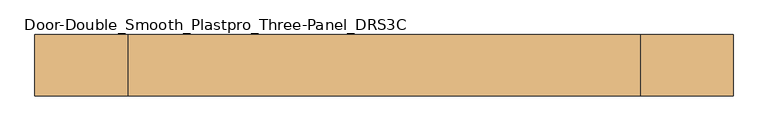
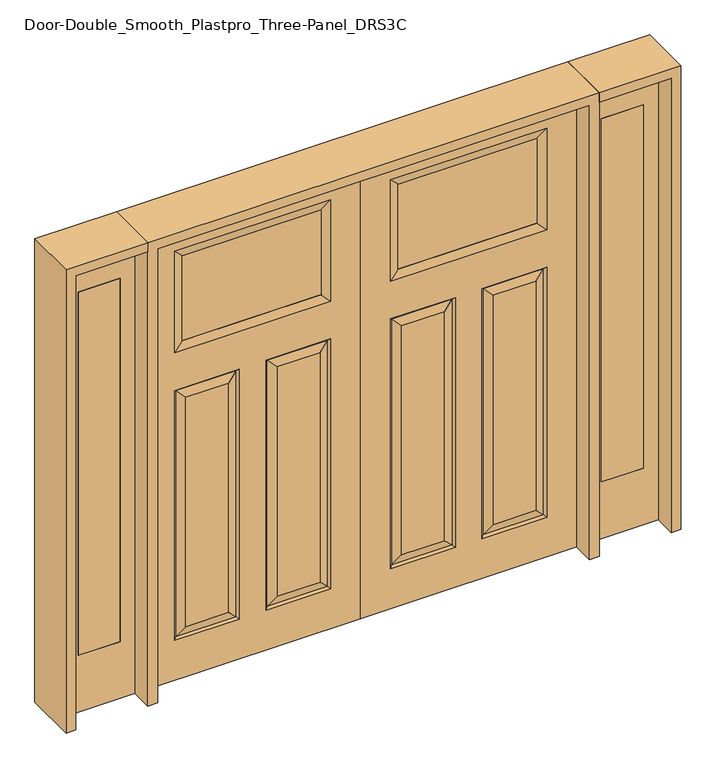
"""IFC4 building model written with IfcOpenShell, lengths in millimetres: door geometry, Door-Double_Smooth_Plastpro_Three-Panel_DRS3C."""

import ifcopenshell
import ifcopenshell.guid

model = None  # the IFC model being written
_history = None  # IfcOwnerHistory: only IFC2X3 demands one
_inside = {}  # id of a spatial element -> (the spatial element, [elements in it])
_under = {}  # id of a project, library or spatial element -> (it, [spatial elements below it])
_declared = {}  # id of a project -> (the project, [libraries it declares])
_typed = {}  # id of a type object -> (the type object, [elements of that type])
_made_of = {}  # id of a material, layer set ... -> (it, [elements and type objects made of it])


def new_model(schema):
    """Start an empty IFC model of exactly this schema.

    Asked for "IFC4X3", IfcOpenShell would pick the latest addendum, in which some entities
    have other attributes; the version numbers below select the first issue.
    IFC2X3 requires an IfcOwnerHistory on every rooted entity: one is made here for all.
    """
    global model, _history
    if schema == "IFC4X3":
        model = ifcopenshell.file(schema_version=(4, 3, 0, 0))
    else:
        model = ifcopenshell.file(schema=schema)
    _inside.clear()
    _under.clear()
    _declared.clear()
    _typed.clear()
    _made_of.clear()
    _history = None
    if model.schema == "IFC2X3":
        org = make("IfcOrganization", Name="unknown")
        user = make(
            "IfcPersonAndOrganization",
            ThePerson=make("IfcPerson", FamilyName="unknown"),
            TheOrganization=org,
        )
        app = make(
            "IfcApplication",
            ApplicationDeveloper=org,
            Version="unknown",
            ApplicationFullName="unknown",
            ApplicationIdentifier="unknown",
        )
        _history = make(
            "IfcOwnerHistory",
            OwningUser=user,
            OwningApplication=app,
            ChangeAction="ADDED",
            CreationDate=0,
        )
    return model


def make(cls, **values):
    """One entity of the class cls with the attributes given. An attribute that is None is left unset."""
    return model.create_entity(
        cls, **{name: value for name, value in values.items() if value is not None}
    )


def rooted(cls, **values):
    """An entity with a GlobalId (a new one), such as an element, a storey or a relation."""
    return make(cls, GlobalId=ifcopenshell.guid.new(), OwnerHistory=_history, **values)


def si_unit(unit_type, name, prefix=None):
    """IfcSIUnit, for example si_unit("LENGTHUNIT", "METRE", prefix="MILLI")."""
    return make("IfcSIUnit", UnitType=unit_type, Prefix=prefix, Name=name)


def assignment(units):
    """IfcUnitAssignment: the units of a project."""
    return None if units is None else make("IfcUnitAssignment", Units=units)


def point(xyz):
    """IfcCartesianPoint."""
    return None if xyz is None else make("IfcCartesianPoint", Coordinates=xyz)


def direction(xyz):
    """IfcDirection."""
    return None if xyz is None else make("IfcDirection", DirectionRatios=xyz)


def frame(location, z_axis=None, x_axis=None):
    """IfcAxis2Placement3D, a coordinate frame: its origin and axes. An axis left out is left unset."""
    return make(
        "IfcAxis2Placement3D",
        Location=point(location),
        Axis=direction(z_axis),
        RefDirection=direction(x_axis),
    )


def origin():
    """The frame at (0, 0, 0) with its axes left unset."""
    return frame((0.0, 0.0, 0.0))


def place(relative_to, where):
    """IfcLocalPlacement: puts the frame where relative to a parent placement (None: the world)."""
    return make(
        "IfcLocalPlacement", PlacementRelTo=relative_to, RelativePlacement=where
    )


def context(
    kind, dimensions, precision=None, world=None, true_north=None, identifier=None
):
    """IfcGeometricRepresentationContext, for example the 3D "Model" context."""
    return make(
        "IfcGeometricRepresentationContext",
        ContextIdentifier=identifier,
        ContextType=kind,
        CoordinateSpaceDimension=dimensions,
        Precision=precision,
        WorldCoordinateSystem=world,
        TrueNorth=true_north,
    )


def project(units=None, contexts=None):
    """IfcProject with its units and contexts."""
    return rooted(
        "IfcProject",
        Name="project",
        RepresentationContexts=contexts,
        UnitsInContext=assignment(units),
    )


def spatial(cls, under=None, at=None, **own):
    """A site, building, storey or space (cls), placed at a placement, below another one or the project."""
    s = rooted(cls, ObjectPlacement=at, **own)
    if under is not None:
        _under.setdefault(under.id(), (under, []))[1].append(s)
    return s


def polyline(points):
    """IfcPolyline through the points."""
    return make("IfcPolyline", Points=[point(p) for p in points])


def outline(outer, holes=None, kind="AREA"):
    """IfcArbitraryClosedProfileDef: a profile drawn as a closed curve; with holes, ...WithVoids."""
    if holes is None:
        return make("IfcArbitraryClosedProfileDef", ProfileType=kind, OuterCurve=outer)
    return make(
        "IfcArbitraryProfileDefWithVoids",
        ProfileType=kind,
        OuterCurve=outer,
        InnerCurves=holes,
    )


def extrude(swept, where, along, depth):
    """IfcExtrudedAreaSolid: the profile swept, set in the frame where, extruded along a direction by depth."""
    return make(
        "IfcExtrudedAreaSolid",
        SweptArea=swept,
        Position=where,
        ExtrudedDirection=direction(along),
        Depth=depth,
    )


def faces_of(points, faces, orient=None, outer=None):
    """IfcFace entities. A face is a list of loops; a loop is a list of indices into points, from 0.

    orient and outer hold one flag for each loop. By default every Orientation is true, the
    first loop of a face is its IfcFaceOuterBound and the others are IfcFaceBound.
    """
    made = []
    for i, loops in enumerate(faces):
        bounds = []
        for j, loop in enumerate(loops):
            is_outer = j == 0 if outer is None else outer[i][j]
            bounds.append(
                make(
                    "IfcFaceOuterBound" if is_outer else "IfcFaceBound",
                    Bound=make("IfcPolyLoop", Polygon=[points[k] for k in loop]),
                    Orientation=True if orient is None else orient[i][j],
                )
            )
        made.append(make("IfcFace", Bounds=bounds))
    return made


def faceted_brep(points, faces, orient=None, outer=None, voids=None):
    """IfcFacetedBrep: a solid bounded by flat faces; with voids (closed shells), ...WithVoids."""
    shared = [point(p) for p in points]
    hull = make("IfcClosedShell", CfsFaces=faces_of(shared, faces, orient, outer))
    if voids is None:
        return make("IfcFacetedBrep", Outer=hull)
    return make(
        "IfcFacetedBrepWithVoids",
        Outer=hull,
        Voids=[
            make(cls, CfsFaces=faces_of(shared, fs, o, b)) for cls, fs, o, b in voids
        ],
    )


def shape(context_of_items, identifier, shape_type, items):
    """IfcShapeRepresentation: the items that make up one representation, for example the "Body"."""
    return make(
        "IfcShapeRepresentation",
        ContextOfItems=context_of_items,
        RepresentationIdentifier=identifier,
        RepresentationType=shape_type,
        Items=items,
    )


def source(mapping_origin, context_of_items, identifier, shape_type, items):
    """IfcRepresentationMap: a shape defined once, which mapped items show again and again."""
    return make(
        "IfcRepresentationMap",
        MappingOrigin=mapping_origin,
        MappedRepresentation=shape(context_of_items, identifier, shape_type, items),
    )


def transform(
    local_origin,
    x_axis=None,
    y_axis=None,
    z_axis=None,
    scale=None,
    scale2=None,
    scale3=None,
    uniform=True,
):
    """IfcCartesianTransformationOperator3D, or its non-uniform kind. x_axis, y_axis, z_axis: its Axis1, 2, 3."""
    if uniform:
        return make(
            "IfcCartesianTransformationOperator3D",
            Axis1=direction(x_axis),
            Axis2=direction(y_axis),
            LocalOrigin=point(local_origin),
            Scale=scale,
            Axis3=direction(z_axis),
        )
    return make(
        "IfcCartesianTransformationOperator3DnonUniform",
        Axis1=direction(x_axis),
        Axis2=direction(y_axis),
        LocalOrigin=point(local_origin),
        Scale=scale,
        Axis3=direction(z_axis),
        Scale2=scale2,
        Scale3=scale3,
    )


def mapped(mapping_source, mapping_target):
    """IfcMappedItem: shows the shape of a source again, moved by a transform."""
    return make(
        "IfcMappedItem", MappingSource=mapping_source, MappingTarget=mapping_target
    )


def made_of(thing, what):
    """Note that an element or type object is made of a material, layer set ...; save() writes the relation."""
    if what is not None:
        _made_of.setdefault(what.id(), (what, []))[1].append(thing)
    return thing


def element(
    cls,
    number,
    at=None,
    inside=None,
    cuts=None,
    type_object=None,
    material=None,
    context=None,
    identifier="Body",
    shape_type=None,
    held_by="IfcProductDefinitionShape",
    body=None,
    shapes=None,
    **own,
):
    """One element of the class cls, such as IfcWall. Its Tag is "e" and its number.

    at: its placement. inside: the storey or other place that contains it. cuts: it is an
    opening in that element (IfcRelVoidsElement). A single representation is given by context,
    identifier, shape_type and body (its items); several are given by shapes. held_by: the class
    of the entity that holds the representations. save() writes the other relations.
    """
    e = rooted(cls, Tag="e%d" % number, ObjectPlacement=at, **own)
    if body is not None:
        shapes = [shape(context, identifier, shape_type, body)]
    if shapes is not None:
        e.Representation = make(held_by, Representations=shapes)
    if inside is not None:
        _inside.setdefault(inside.id(), (inside, []))[1].append(e)
    if cuts is not None:
        rooted(
            "IfcRelVoidsElement", RelatingBuildingElement=cuts, RelatedOpeningElement=e
        )
    if type_object is not None:
        _typed.setdefault(type_object.id(), (type_object, []))[1].append(e)
    return made_of(e, material)


def aggregate(whole, parts):
    """IfcRelAggregates: a whole, such as a stair, and the parts it consists of."""
    return rooted("IfcRelAggregates", RelatingObject=whole, RelatedObjects=parts)


def save(model, path):
    """Write the relations noted so far, then the file.

    IfcRelAggregates (storeys below a building ...), IfcRelContainedInSpatialStructure (elements
    in a storey), IfcRelDefinesByType, IfcRelAssociatesMaterial and IfcRelDeclares: one each for
    every whole, place, type object, material and project.
    """
    for whole, parts in _under.values():
        aggregate(whole, parts)
    for where, things in _inside.values():
        rooted(
            "IfcRelContainedInSpatialStructure",
            RelatedElements=things,
            RelatingStructure=where,
        )
    for kind, things in _typed.values():
        rooted("IfcRelDefinesByType", RelatedObjects=things, RelatingType=kind)
    for what, things in _made_of.values():
        rooted("IfcRelAssociatesMaterial", RelatedObjects=things, RelatingMaterial=what)
    for by, libraries in _declared.values():
        rooted("IfcRelDeclares", RelatingContext=by, RelatedDefinitions=libraries)
    model.write(path)


def door_double_smooth_plastpro_three_panel_drs3c_fc949b16(model_context):
    return source(origin(), model_context, "Body", "SolidModel", [
        faceted_brep([(914.4, -20.6375, 2032.0), (914.4, -20.6375, 0.0), (914.4, 20.6375, 0.0), (914.4, 20.6375, 2032.0), (0.0, 20.6375, 0.0), (0.0, 20.6375, 2032.0), (126.873, 20.6375, 177.673), (400.177, 20.6375, 177.673), (400.177, 20.6375, 1295.527), (126.873, 20.6375, 1295.527), (787.5984375, 20.6375, 1463.5757812), (787.5984375, 20.6375, 1917.8984375), (126.8015625, 20.6375, 1917.8984375), (126.8015625, 20.6375, 1463.5757812), (787.527, 20.6375, 1295.527), (514.223, 20.6375, 1295.527), (514.223, 20.6375, 177.673), (787.527, 20.6375, 177.673), (741.4895, 20.6375, 223.7105), (560.2605, 20.6375, 223.7105), (560.2605, 20.6375, 1249.4895), (741.4895, 20.6375, 1249.4895), (172.9105, 20.6375, 1249.4895), (354.1395, 20.6375, 1249.4895), (354.1395, 20.6375, 223.7105), (172.9105, 20.6375, 223.7105), (778.5467439, 11.6572439, 1286.5467439), (778.5467439, 11.6572439, 186.6532561), (523.2032561, 11.6572439, 186.6532561), (391.1967439, -11.6572439, 186.6532561), (391.1967439, -11.6572439, 1286.5467439), (354.1395, -20.6375, 1249.4895), (354.1395, -20.6375, 223.7105), (560.2605, -20.6375, 223.7105), (560.2605, -20.6375, 1249.4895), (523.2032561, -11.6572439, 1286.5467439), (523.2032561, -11.6572439, 186.6532561), (778.5467439, -11.6572439, 186.6532561), (514.223, -20.6375, 177.673), (787.527, -20.6375, 177.673), (787.5984375, -20.6375, 1463.5757812), (787.5984375, -20.6375, 1917.8984375), (750.5411936, -11.6572439, 1880.8411936), (753.7161936, -12.4266566, 1880.8898438), (753.7161936, -12.4266566, 1500.584375), (750.5411936, -11.6572439, 1500.584375), (163.8588064, -11.6572439, 1500.584375), (160.6838064, -12.4266566, 1500.584375), (160.6838064, -12.4266566, 1880.8898438), (163.8588064, -11.6572439, 1880.8898438), (126.8015625, -20.6375, 1917.8984375), (126.8015625, -20.6375, 1463.5757812), (135.8532561, -11.6572439, 1286.5467439), (400.177, -20.6375, 1295.527), (126.873, -20.6375, 1295.527), (160.6838064, 12.4266566, 1880.8898438), (163.8588064, 11.6572439, 1880.8898438), (750.5411936, 11.6690335, 1880.8898438), (753.7161936, 12.4266566, 1880.8898438), (0.0, -20.6375, 0.0), (0.0, -20.6375, 2032.0), (514.223, -20.6375, 1295.527), (787.527, -20.6375, 1295.527), (400.177, -20.6375, 177.673), (126.873, -20.6375, 177.673), (172.9105, -20.6375, 223.7105), (172.9105, -20.6375, 1249.4895), (741.4895, -20.6375, 1249.4895), (741.4895, -20.6375, 223.7105), (135.8532561, 11.6572439, 186.6532561), (391.1967439, 11.6572439, 186.6532561), (135.8532561, -11.6572439, 186.6532561), (778.5467439, -11.6572439, 1286.5467439), (160.6838064, 12.4266566, 1500.584375), (163.8588064, 11.6572439, 1500.584375), (135.8532561, 11.6572439, 1286.5467439), (391.1967439, 11.6572439, 1286.5467439), (523.2032561, 11.6572439, 1286.5467439), (750.5898438, 11.6690335, 1500.584375), (753.7161936, 12.4266566, 1500.584375)], [[[0, 1, 2, 3]], [[3, 2, 4, 5], [6, 7, 8, 9], [10, 11, 12, 13], [14, 15, 16, 17]], [[18, 19, 20, 21]], [[22, 23, 24, 25]], [[26, 14, 17, 27]], [[27, 18, 21, 26]], [[27, 28, 19, 18]], [[29, 30, 31, 32]], [[33, 34, 35, 36]], [[37, 36, 38, 39]], [[40, 41, 42, 43, 44, 45]], [[46, 47, 48, 49, 50, 51]], [[52, 30, 53, 54]], [[55, 56, 57, 58, 43, 42, 49, 48]], [[51, 40, 45, 46]], [[4, 2, 1, 59]], [[5, 4, 59, 60]], [[60, 59, 1, 0], [39, 38, 61, 62], [51, 50, 41, 40], [54, 53, 63, 64]], [[65, 32, 31, 66]], [[67, 34, 33, 68]], [[5, 60, 0, 3]], [[69, 70, 7, 6]], [[71, 29, 32, 65]], [[63, 53, 30, 29]], [[37, 39, 62, 72]], [[13, 12, 56, 55, 73, 74]], [[6, 9, 75, 69]], [[70, 76, 8, 7]], [[75, 22, 25, 69]], [[25, 24, 70, 69]], [[24, 23, 76, 70]], [[17, 16, 28, 27]], [[16, 15, 77, 28]], [[28, 77, 20, 19]], [[65, 66, 52, 71]], [[52, 54, 64, 71]], [[64, 63, 29, 71]], [[72, 67, 68, 37]], [[68, 33, 36, 37]], [[36, 35, 61, 38]], [[12, 11, 57, 56]], [[78, 79, 58, 57, 11, 10]], [[49, 42, 41, 50]], [[66, 31, 30, 52]], [[9, 8, 76, 75]], [[75, 76, 23, 22]], [[58, 79, 44, 43]], [[79, 78, 74, 73, 47, 46, 45, 44]], [[48, 47, 73, 55]], [[74, 78, 10, 13]], [[72, 35, 34, 67]], [[62, 61, 35, 72]], [[26, 77, 15, 14]], [[21, 20, 77, 26]]]),
        extrude(outline(polyline([(160.6838064, -11.6572439), (160.6838064, 11.6572439), (753.7161936, 11.6572439), (753.7161936, -11.6572439), (160.6838064, -11.6572439)])), frame((0.0, 0.0, 1500.584375), z_axis=(0.0, 0.0, 1.0), x_axis=(1.0, 0.0, 0.0)), (0.0, 0.0, 1.0), 380.3054688),
        extrude(outline(polyline([(1019.175, -20.6375), (1019.175, 20.6375), (1196.975, 20.6375), (1196.975, -20.6375), (1019.175, -20.6375)])), frame((0.0, 0.0, 254.0), z_axis=(0.0, 0.0, 1.0), x_axis=(1.0, 0.0, 0.0)), (0.0, 0.0, 1.0), 1625.6),
        extrude(outline(polyline([(0.0, 1260.475), (2032.0, 1260.475), (2032.0, 955.675), (0.0, 955.675), (0.0, 1260.475)]), holes=[polyline([(1879.6, 1019.175), (1879.6, 1196.975), (254.0, 1196.975), (254.0, 1019.175), (1879.6, 1019.175)])]), frame((0.0, -20.6375, 0.0), z_axis=(0.0, 1.0, 0.0), x_axis=(0.0, 0.0, 1.0)), (0.0, 0.0, 1.0), 41.275),
        extrude(outline(polyline([(-1019.175, -20.6375), (-1196.975, -20.6375), (-1196.975, 20.6375), (-1019.175, 20.6375), (-1019.175, -20.6375)])), frame((0.0, 0.0, 254.0), z_axis=(0.0, 0.0, 1.0), x_axis=(1.0, 0.0, 0.0)), (0.0, 0.0, 1.0), 1625.6),
        extrude(outline(polyline([(0.0, -1260.475), (0.0, -955.675), (2032.0, -955.675), (2032.0, -1260.475), (0.0, -1260.475)]), holes=[polyline([(1879.6, -1019.175), (254.0, -1019.175), (254.0, -1196.975), (1879.6, -1196.975), (1879.6, -1019.175)])]), frame((0.0, -20.6375, 0.0), z_axis=(0.0, 1.0, 0.0), x_axis=(0.0, 0.0, 1.0)), (0.0, 0.0, 1.0), 41.275),
        faceted_brep([(-914.4, -20.6375, 2032.0), (-914.4, 20.6375, 2032.0), (-914.4, 20.6375, 0.0), (-914.4, -20.6375, 0.0), (-172.9105, 20.6375, 1249.4895), (-172.9105, 20.6375, 223.7105), (-354.1395, 20.6375, 223.7105), (-354.1395, 20.6375, 1249.4895), (-741.4895, 20.6375, 223.7105), (-741.4895, 20.6375, 1249.4895), (-560.2605, 20.6375, 1249.4895), (-560.2605, 20.6375, 223.7105), (0.0, 20.6375, 2032.0), (0.0, 20.6375, 0.0), (-126.873, 20.6375, 177.673), (-126.873, 20.6375, 1295.527), (-400.177, 20.6375, 1295.527), (-400.177, 20.6375, 177.673), (-787.5984375, 20.6375, 1463.5757812), (-126.8015625, 20.6375, 1463.5757812), (-126.8015625, 20.6375, 1917.8984375), (-787.5984375, 20.6375, 1917.8984375), (-787.527, 20.6375, 1295.527), (-787.527, 20.6375, 177.673), (-514.223, 20.6375, 177.673), (-514.223, 20.6375, 1295.527), (-778.5467439, 11.6572439, 1286.5467439), (-778.5467439, 11.6572439, 186.6532561), (-523.2032561, 11.6572439, 186.6532561), (-391.1967439, -11.6572439, 186.6532561), (-354.1395, -20.6375, 223.7105), (-354.1395, -20.6375, 1249.4895), (-391.1967439, -11.6572439, 1286.5467439), (-560.2605, -20.6375, 223.7105), (-523.2032561, -11.6572439, 186.6532561), (-523.2032561, -11.6572439, 1286.5467439), (-560.2605, -20.6375, 1249.4895), (-778.5467439, -11.6572439, 186.6532561), (-787.527, -20.6375, 177.673), (-514.223, -20.6375, 177.673), (-787.5984375, -20.6375, 1463.5757812), (-750.5411936, -11.6572439, 1500.6330251), (-753.7161936, -12.4266566, 1500.584375), (-753.7161936, -12.4266566, 1880.8898438), (-750.5411936, -11.6572439, 1880.8898438), (-787.5984375, -20.6375, 1917.8984375), (-163.8588064, -11.6572439, 1500.6330251), (-126.8015625, -20.6375, 1463.5757812), (-126.8015625, -20.6375, 1917.8984375), (-163.8588064, -11.6572439, 1880.8411936), (-160.6838064, -12.4266566, 1880.8898438), (-160.6838064, -12.4266566, 1500.584375), (-135.8532561, -11.6572439, 1286.5467439), (-126.873, -20.6375, 1295.527), (-400.177, -20.6375, 1295.527), (-160.6838064, 12.4266566, 1880.8898438), (-753.7161936, 12.4266566, 1880.8898438), (-750.5411936, 11.6572439, 1880.8898438), (-163.8588064, 11.6690335, 1880.8898438), (0.0, -20.6375, 0.0), (0.0, -20.6375, 2032.0), (-172.9105, -20.6375, 223.7105), (-172.9105, -20.6375, 1249.4895), (-741.4895, -20.6375, 1249.4895), (-741.4895, -20.6375, 223.7105), (-787.527, -20.6375, 1295.527), (-514.223, -20.6375, 1295.527), (-126.873, -20.6375, 177.673), (-400.177, -20.6375, 177.673), (-135.8532561, 11.6572439, 186.6532561), (-391.1967439, 11.6572439, 186.6532561), (-135.8532561, -11.6572439, 186.6532561), (-778.5467439, -11.6572439, 1286.5467439), (-163.8588064, 11.6572439, 1500.6330251), (-160.6838064, 12.4266566, 1500.584375), (-135.8532561, 11.6572439, 1286.5467439), (-391.1967439, 11.6572439, 1286.5467439), (-523.2032561, 11.6572439, 1286.5467439), (-750.5411936, 11.6572439, 1500.6330251), (-753.7161936, 12.4266566, 1500.584375)], [[[0, 1, 2, 3]], [[4, 5, 6, 7]], [[8, 9, 10, 11]], [[1, 12, 13, 2], [14, 15, 16, 17], [18, 19, 20, 21], [22, 23, 24, 25]], [[26, 27, 23, 22]], [[27, 26, 9, 8]], [[27, 8, 11, 28]], [[29, 30, 31, 32]], [[33, 34, 35, 36]], [[37, 38, 39, 34]], [[40, 41, 42, 43, 44, 45]], [[46, 47, 48, 49, 50, 51]], [[52, 53, 54, 32]], [[55, 50, 49, 44, 43, 56, 57, 58]], [[47, 46, 41, 40]], [[13, 59, 3, 2]], [[12, 60, 59, 13]], [[61, 62, 31, 30]], [[63, 64, 33, 36]], [[60, 0, 3, 59], [38, 65, 66, 39], [47, 40, 45, 48], [53, 67, 68, 54]], [[12, 1, 0, 60]], [[69, 14, 17, 70]], [[71, 61, 30, 29]], [[68, 29, 32, 54]], [[37, 72, 65, 38]], [[19, 73, 74, 55, 58, 20]], [[14, 69, 75, 15]], [[70, 17, 16, 76]], [[75, 69, 5, 4]], [[5, 69, 70, 6]], [[6, 70, 76, 7]], [[23, 27, 28, 24]], [[24, 28, 77, 25]], [[28, 11, 10, 77]], [[61, 71, 52, 62]], [[52, 71, 67, 53]], [[67, 71, 29, 68]], [[72, 37, 64, 63]], [[64, 37, 34, 33]], [[34, 39, 66, 35]], [[20, 58, 57, 21]], [[78, 18, 21, 57, 56, 79]], [[49, 48, 45, 44]], [[62, 52, 32, 31]], [[15, 75, 76, 16]], [[75, 4, 7, 76]], [[56, 43, 42, 79]], [[79, 42, 41, 46, 51, 74, 73, 78]], [[50, 55, 74, 51]], [[73, 19, 18, 78]], [[72, 63, 36, 35]], [[65, 72, 35, 66]], [[26, 22, 25, 77]], [[9, 26, 77, 10]]]),
        extrude(outline(polyline([(-160.6838064, -11.6572439), (-753.7161936, -11.6572439), (-753.7161936, 11.6572439), (-160.6838064, 11.6572439), (-160.6838064, -11.6572439)])), frame((0.0, 0.0, 1500.584375), z_axis=(0.0, 0.0, 1.0), x_axis=(1.0, 0.0, 0.0)), (0.0, 0.0, 1.0), 380.3054688),
        extrude(outline(polyline([(2032.0, -955.675), (2073.275, -955.675), (2073.275, -1301.75), (0.0, -1301.75), (0.0, -1260.475), (2032.0, -1260.475), (2032.0, -955.675)])), frame((0.0, -114.3, 0.0), z_axis=(0.0, 1.0, 0.0), x_axis=(0.0, 0.0, 1.0)), (0.0, 0.0, 1.0), 228.6),
        extrude(outline(polyline([(2073.275, -955.675), (0.0, -955.675), (0.0, -914.4), (2032.0, -914.4), (2032.0, 914.4), (0.0, 914.4), (0.0, 955.675), (2073.275, 955.675), (2073.275, -955.675)])), frame((0.0, -114.3, 0.0), z_axis=(0.0, 1.0, 0.0), x_axis=(0.0, 0.0, 1.0)), (0.0, 0.0, 1.0), 228.6),
        extrude(outline(polyline([(0.0, 1260.475), (0.0, 1301.75), (2073.275, 1301.75), (2073.275, 955.675), (2032.0, 955.675), (2032.0, 1260.475), (0.0, 1260.475)])), frame((0.0, -114.3, 0.0), z_axis=(0.0, 1.0, 0.0), x_axis=(0.0, 0.0, 1.0)), (0.0, 0.0, 1.0), 228.6),
    ])


if __name__ == "__main__":
    model = new_model("IFC4")
    model_context = context("Model", 3, world=origin())
    ifc_project = project(units=[si_unit("LENGTHUNIT", "METRE", prefix="MILLI")], contexts=[model_context])
    site = spatial("IfcSite", under=ifc_project)
    building = spatial("IfcBuilding", under=site)
    placement = place(None, origin())
    door_double_smooth_plastpro_three_panel_drs3c_shape = door_double_smooth_plastpro_three_panel_drs3c_fc949b16(model_context)
    element("IfcDoor", 1, ObjectType="Door-Double_Smooth_Plastpro_Three-Panel_DRS3C", at=placement, inside=building, context=model_context, shape_type="MappedRepresentation", body=[
        mapped(door_double_smooth_plastpro_three_panel_drs3c_shape, transform((0.0, 0.0, 0.0), x_axis=(1.0, 0.0, 0.0), y_axis=(0.0, 1.0, 0.0), z_axis=(0.0, 0.0, 1.0))),
    ])
    save(model, "model.ifc")
